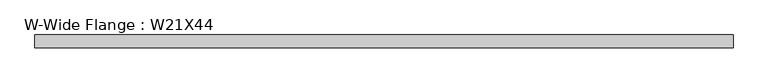
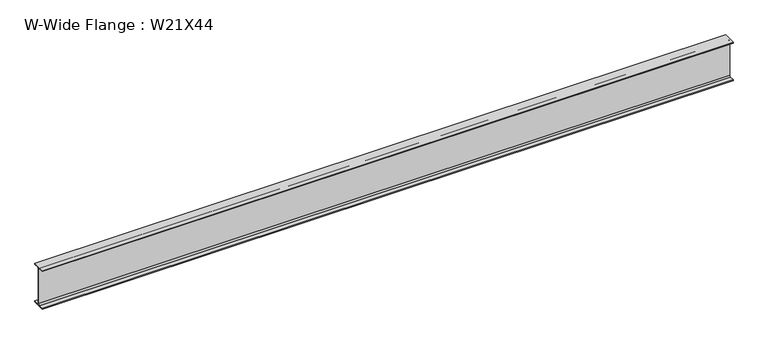
"""IFC4 building model written with IfcOpenShell, lengths in millimetres: beam geometry, W-Wide Flange : W21X44."""

from ifc_helpers import new_model, si_unit, point, frame, frame_2d, origin, place, context, project, spatial, polyline, circle_curve, trimmed, segment, composite_curve, outline, extrude, source, transform, mapped, element, save


def w_wide_flange_w21x44_1ecaabed(model_context):
    return source(origin(), model_context, "Body", "SweptSolid", [
        extrude(outline(composite_curve([segment(polyline([(82.55, -251.4699219), (82.55, -262.8800781), (-82.55, -262.8800781), (-82.55, -251.4699219), (-21.6296875, -251.4699219)]), True, "CONTINUOUS"), segment(trimmed(circle_curve(frame_2d((-21.6296875, -234.3050781)), 17.1648437), [point((-21.6296875, -251.4699219))], [point((-4.4648438, -234.3050781))], True, "CARTESIAN"), True, "CONTINUOUS"), segment(polyline([(-4.4648438, -234.3050781), (-4.4648438, 234.3050781)]), True, "CONTINUOUS"), segment(trimmed(circle_curve(frame_2d((-21.6296875, 234.3050781)), 17.1648437), [point((-4.4648438, 234.3050781))], [point((-21.6296875, 251.4699219))], True, "CARTESIAN"), True, "CONTINUOUS"), segment(polyline([(-21.6296875, 251.4699219), (-82.55, 251.4699219), (-82.55, 262.8800781), (82.55, 262.8800781), (82.55, 251.4699219), (21.6296875, 251.4699219)]), True, "CONTINUOUS"), segment(trimmed(circle_curve(frame_2d((21.6296875, 234.3050781)), 17.1648437), [point((21.6296875, 251.4699219))], [point((4.4648437, 234.3050781))], True, "CARTESIAN"), True, "CONTINUOUS"), segment(polyline([(4.4648437, 234.3050781), (4.4648437, -234.3050781)]), True, "CONTINUOUS"), segment(trimmed(circle_curve(frame_2d((21.6296875, -234.3050781)), 17.1648437), [point((4.4648437, -234.3050781))], [point((21.6296875, -251.4699219))], True, "CARTESIAN"), True, "CONTINUOUS"), segment(polyline([(21.6296875, -251.4699219), (82.55, -251.4699219)]), True, "CONTINUOUS")], self_intersect=False)), frame((-4456.4101562, 0.0, 0.0), z_axis=(1.0, 0.0, 0.0), x_axis=(0.0, 1.0, 0.0)), (0.0, 0.0, 1.0), 8911.5800781),
    ])


if __name__ == "__main__":
    model = new_model("IFC4")
    model_context = context("Model", 3, world=origin())
    ifc_project = project(units=[si_unit("LENGTHUNIT", "METRE", prefix="MILLI")], contexts=[model_context])
    site = spatial("IfcSite", under=ifc_project)
    building = spatial("IfcBuilding", under=site)
    placement = place(None, origin())
    w_wide_flange_w21x44_shape = w_wide_flange_w21x44_1ecaabed(model_context)
    element("IfcBeam", 1, ObjectType="W-Wide Flange : W21X44", at=placement, inside=building, context=model_context, shape_type="MappedRepresentation", body=[
        mapped(w_wide_flange_w21x44_shape, transform((0.0, 0.0, 0.0), x_axis=(1.0, 0.0, 0.0), y_axis=(0.0, 1.0, 0.0), z_axis=(0.0, 0.0, 1.0))),
    ])
    save(model, "model.ifc")
